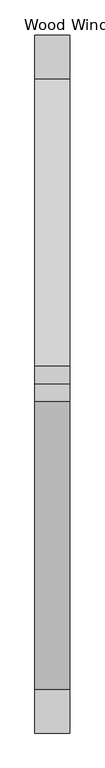
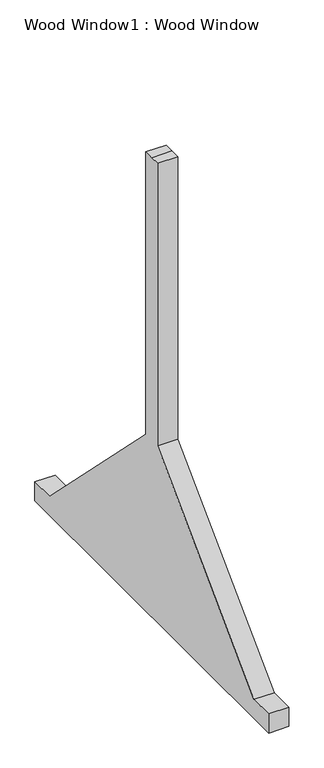
"""IFC4 building model written with IfcOpenShell, lengths in millimetres: proxy geometry, Wood Window1 : Wood Window."""

from ifc_helpers import new_model, si_unit, frame, origin, place, context, project, spatial, polyline, outline, extrude, source, transform, mapped, element, save


def wood_window1_wood_window_e82f3839(model_context):
    return source(origin(), model_context, "Body", "SweptSolid", [
        extrude(outline(polyline([(-91553.2570442, 0.0), (-91553.2570442, 101.6), (-91426.2570442, 101.6), (-90588.0570442, 939.8), (-90588.0570442, 2438.4), (-90537.2570442, 2438.4), (-90486.4570442, 2438.4), (-90486.4570442, 939.8), (-89648.2570442, 101.6), (-89521.2570442, 101.6), (-89521.2570442, 0.0), (-91553.2570442, 0.0)])), frame((261806.2043688, 0.0, 0.0), z_axis=(1.0, 0.0, 0.0), x_axis=(0.0, 1.0, 0.0)), (0.0, 0.0, 1.0), 101.6),
    ])


if __name__ == "__main__":
    model = new_model("IFC4")
    model_context = context("Model", 3, world=origin())
    ifc_project = project(units=[si_unit("LENGTHUNIT", "METRE", prefix="MILLI")], contexts=[model_context])
    site = spatial("IfcSite", under=ifc_project)
    building = spatial("IfcBuilding", under=site)
    placement = place(None, origin())
    wood_window1_wood_window_shape = wood_window1_wood_window_e82f3839(model_context)
    element("IfcBuildingElementProxy", 1, Name="Wood Window1 : Wood Window", ObjectType="Wood Window1 : Wood Window", at=placement, inside=building, context=model_context, shape_type="MappedRepresentation", body=[
        mapped(wood_window1_wood_window_shape, transform((0.0, 0.0, 0.0), x_axis=(1.0, 0.0, 0.0), y_axis=(0.0, 1.0, 0.0), z_axis=(0.0, 0.0, 1.0))),
    ])
    save(model, "model.ifc")
